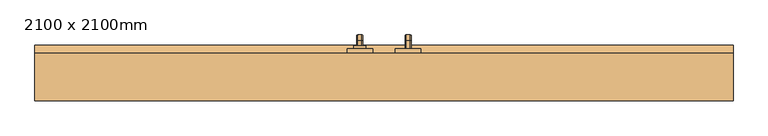
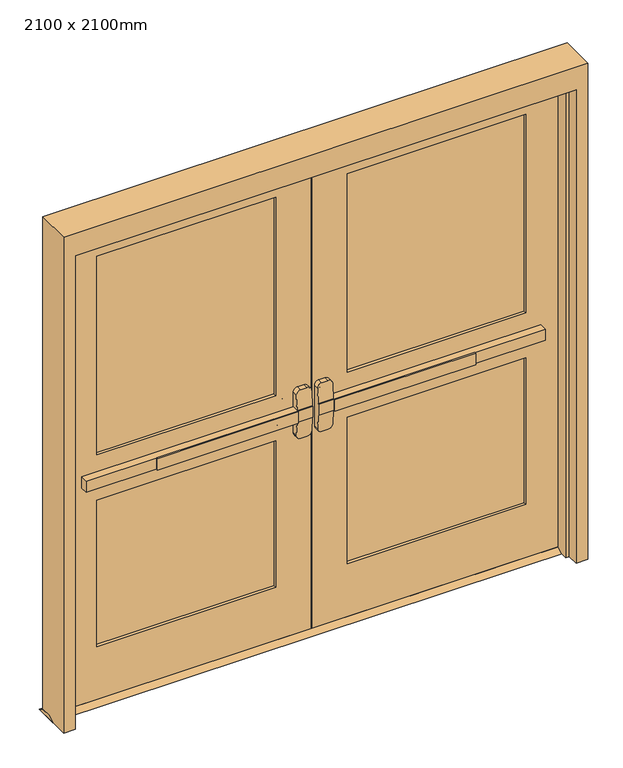
"""IFC4 building model written with IfcOpenShell, lengths in millimetres: door geometry, 2100 x 2100mm."""

from ifc_helpers import new_model, si_unit, point, frame, frame_2d, origin, place, context, project, spatial, polyline, circle_curve, ellipse_curve, trimmed, segment, composite_curve, outline, extrude, faceted_brep, source, transform, mapped, element, save
from ifc_brep_helpers import plane_surface, cylinder_surface, revolved_surface, advanced_brep


def door_2100_x_2100mm_7a8dc267(model_context):
    return source(origin(), model_context, "Body", "SolidModel", [
        extrude(outline(polyline([(-667.2, -1.75), (-667.2, 4.6), (-76.2, 4.6), (-76.2, -1.75), (-667.2, -1.75)])), frame((0.0, 0.0, 974.6), z_axis=(0.0, 0.0, 1.0), x_axis=(1.0, 0.0, 0.0)), (0.0, 0.0, 1.0), 50.8),
        advanced_brep(
        [(-12.7, 4.6, 1025.4), (-76.2, 4.6, 1025.4), (-962.7, 4.6, 1025.4), (-962.7, 4.6, 974.6), (-76.2, 4.6, 974.6), (-12.7, 4.6, 974.6), (-962.7, 36.35, 1025.4), (-76.2, 36.35, 1025.4), (-76.2, 36.35, 1088.9), (-57.15, 36.35, 1107.95), (-31.75, 36.35, 1107.95), (-12.7, 36.35, 1088.9), (-12.7, 36.35, 911.1), (-31.75, 36.35, 892.05), (-57.15, 36.35, 892.05), (-76.2, 36.35, 911.1), (-76.2, 36.35, 974.6), (-962.7, 36.35, 974.6), (-12.7, 7.7752467, 1025.4), (-76.2, 7.7752467, 1025.4), (-12.7, 7.7752467, 974.6), (-12.7, 12.7854269, 911.1), (-12.7, 12.7854269, 1088.9), (-76.2, 7.7752467, 974.6), (-76.2, 12.7854269, 1088.9), (-76.2, 12.7854269, 911.1), (-57.15, 14.288481, 1107.95), (-31.75, 14.288481, 1107.95), (-31.75, 14.288481, 892.05), (-57.15, 14.288481, 892.05)],
        [
            (0, 1),
            (1, 2),
            (2, 3),
            (3, 4),
            (4, 5),
            (5, 0),
            (6, 7),
            (7, 8),
            (8, 9, circle_curve(frame((-57.15, 36.35, 1088.9), z_axis=(0.0, 1.0, 0.0), x_axis=(-1.0, 0.0, 0.0)), 19.05)),
            (9, 10),
            (10, 11, circle_curve(frame((-31.75, 36.35, 1088.9), z_axis=(0.0, 1.0, 0.0), x_axis=(-1.0, 0.0, 0.0)), 19.05)),
            (11, 12),
            (12, 13, circle_curve(frame((-31.75, 36.35, 911.1), z_axis=(0.0, 1.0, 0.0), x_axis=(-1.0, 0.0, 0.0)), 19.05)),
            (13, 14),
            (14, 15, circle_curve(frame((-57.15, 36.35, 911.1), z_axis=(0.0, 1.0, 0.0), x_axis=(-1.0, 0.0, 0.0)), 19.05)),
            (15, 16),
            (16, 17),
            (17, 6),
            (0, 18),
            (18, 19),
            (19, 7),
            (6, 2),
            (5, 20),
            (20, 21),
            (21, 12),
            (11, 22),
            (22, 18),
            (16, 23),
            (23, 20),
            (3, 17),
            (19, 24),
            (24, 8),
            (15, 25),
            (25, 23),
            (9, 26),
            (26, 27),
            (27, 10),
            (13, 28),
            (28, 29),
            (29, 14),
            (29, 25, ellipse_curve(frame((-57.15, 12.7854269, 911.1), z_axis=(0.0, 0.9969018152893365, 0.07865602756830282), x_axis=(0.0, -0.07865602756830208, 0.9969018152893365)), 19.1092038, 19.05)),
            (24, 26, ellipse_curve(frame((-57.15, 12.7854269, 1088.9), z_axis=(0.0, 0.9969018152893376, -0.07865602756828934), x_axis=(0.0, -0.078656027568288, -0.9969018152893377)), 19.1092038, 19.05)),
            (27, 22, ellipse_curve(frame((-31.75, 12.7854269, 1088.9), z_axis=(0.0, 0.9969018152893376, -0.07865602756828934), x_axis=(0.0, -0.078656027568288, -0.9969018152893377)), 19.1092038, 19.05)),
            (21, 28, ellipse_curve(frame((-31.75, 12.7854269, 911.1), z_axis=(0.0, 0.9969018152893365, 0.07865602756830282), x_axis=(0.0, -0.07865602756830208, 0.9969018152893365)), 19.1092038, 19.05)),
        ],
        [
            plane_surface(frame((-12.7, 4.6, 1025.4), z_axis=(0.0, -1.0, 0.0), x_axis=(1.0, 0.0, 0.0))),
            plane_surface(frame((-12.7, 36.35, 1025.4), z_axis=(0.0, 1.0, 0.0), x_axis=(-1.0, 0.0, 0.0))),
            plane_surface(frame((-962.7, 4.6, 1025.4), z_axis=(0.0, 0.0, 1.0), x_axis=(0.0, 1.0, 0.0))),
            plane_surface(frame((-12.7, 4.6, 1025.4), z_axis=(1.0, 0.0, 0.0), x_axis=(0.0, 1.0, 0.0))),
            plane_surface(frame((-12.7, 4.6, 974.6), z_axis=(0.0, 0.0, -1.0), x_axis=(0.0, 1.0, 0.0))),
            plane_surface(frame((-962.7, 4.6, 974.6), z_axis=(-1.0, 0.0, 0.0), x_axis=(0.0, 1.0, 0.0))),
            plane_surface(frame((-76.2, 7.7752467, 911.1), z_axis=(-1.0, 0.0, 0.0), x_axis=(0.0, 1.0, 0.0))),
            plane_surface(frame((-57.15, 7.7752467, 1107.95), z_axis=(0.0, 0.0, 1.0), x_axis=(0.0, 1.0, 0.0))),
            plane_surface(frame((-31.75, 7.7752467, 892.05), z_axis=(0.0, 0.0, -1.0), x_axis=(0.0, 1.0, 0.0))),
            cylinder_surface(frame((-57.15, 36.35, 911.1), z_axis=(0.0, -1.0, 0.0), x_axis=(-1.0, 0.0, 0.0)), 19.05),
            cylinder_surface(frame((-57.15, 36.35, 1088.9), z_axis=(0.0, -1.0, 0.0), x_axis=(-1.0, 0.0, 0.0)), 19.05),
            cylinder_surface(frame((-31.75, 36.35, 1088.9), z_axis=(0.0, -1.0, 0.0), x_axis=(-1.0, 0.0, 0.0)), 19.05),
            cylinder_surface(frame((-31.75, 36.35, 911.1), z_axis=(0.0, -1.0, 0.0), x_axis=(-1.0, 0.0, 0.0)), 19.05),
            plane_surface(frame((-76.2, 7.7752467, 1025.4), z_axis=(0.0, -0.9969018152893376, 0.07865602756828934), x_axis=(1.0, 0.0, 0.0))),
            plane_surface(frame((-76.2, 14.288481, 892.05), z_axis=(0.0, -0.9969018152893365, -0.07865602756830282), x_axis=(1.0, 0.0, 0.0))),
        ],
        [
            (0, [[1, 2, 3, 4, 5, 6]]),
            (1, [[7, 8, 9, 10, 11, 12, 13, 14, 15, 16, 17, 18]]),
            (2, [[-2, -1, 19, 20, 21, -7, 22]]),
            (3, [[23, 24, 25, -12, 26, 27, -19, -6]]),
            (4, [[-17, 28, 29, -23, -5, -4, 30]]),
            (5, [[-22, -18, -30, -3]]),
            (6, [[-21, 31, 32, -8]]),
            (6, [[33, 34, -28, -16]]),
            (7, [[35, 36, 37, -10]]),
            (8, [[38, 39, 40, -14]]),
            (9, [[-40, 41, -33, -15]]),
            (10, [[-32, 42, -35, -9]]),
            (11, [[-37, 43, -26, -11]]),
            (12, [[-25, 44, -38, -13]]),
            (13, [[-27, -43, -36, -42, -31, -20]]),
            (14, [[-29, -34, -41, -39, -44, -24]]),
        ],
    ),
        extrude(outline(polyline([(81.35, 15.0), (106.75, 0.0), (10.95, 0.0), (36.35, 15.0), (81.35, 15.0)])), frame((-1100.0, 0.0, 0.0), z_axis=(1.0, 0.0, 0.0), x_axis=(0.0, 1.0, 0.0)), (0.0, 0.0, 1.0), 2200.0),
        extrude(outline(polyline([(667.2, -1.75), (76.2, -1.75), (76.2, 4.6), (667.2, 4.6), (667.2, -1.75)])), frame((0.0, 0.0, 974.6), z_axis=(0.0, 0.0, 1.0), x_axis=(1.0, 0.0, 0.0)), (0.0, 0.0, 1.0), 50.8),
        advanced_brep(
        [(12.7, 4.6, 1025.4), (12.7, 4.6, 974.6), (76.2, 4.6, 974.6), (962.7, 4.6, 974.6), (962.7, 4.6, 1025.4), (76.2, 4.6, 1025.4), (962.7, 36.35, 1025.4), (962.7, 36.35, 974.6), (76.2, 36.35, 974.6), (76.2, 36.35, 911.1), (57.15, 36.35, 892.05), (31.75, 36.35, 892.05), (12.7, 36.35, 911.1), (12.7, 36.35, 1088.9), (31.75, 36.35, 1107.95), (57.15, 36.35, 1107.95), (76.2, 36.35, 1088.9), (76.2, 36.35, 1025.4), (76.2, 7.7752467, 1025.4), (12.7, 7.7752467, 1025.4), (12.7, 12.7854269, 1088.9), (12.7, 12.7854269, 911.1), (12.7, 7.7752467, 974.6), (76.2, 7.7752467, 974.6), (76.2, 12.7854269, 911.1), (76.2, 12.7854269, 1088.9), (31.75, 14.288481, 1107.95), (57.15, 14.288481, 1107.95), (57.15, 14.288481, 892.05), (31.75, 14.288481, 892.05)],
        [
            (0, 1),
            (1, 2),
            (2, 3),
            (3, 4),
            (4, 5),
            (5, 0),
            (6, 7),
            (7, 8),
            (8, 9),
            (9, 10, circle_curve(frame((57.15, 36.35, 911.1), z_axis=(0.0, 1.0, 0.0), x_axis=(1.0, 0.0, 0.0)), 19.05)),
            (10, 11),
            (11, 12, circle_curve(frame((31.75, 36.35, 911.1), z_axis=(0.0, 1.0, 0.0), x_axis=(1.0, 0.0, 0.0)), 19.05)),
            (12, 13),
            (13, 14, circle_curve(frame((31.75, 36.35, 1088.9), z_axis=(0.0, 1.0, 0.0), x_axis=(1.0, 0.0, 0.0)), 19.05)),
            (14, 15),
            (15, 16, circle_curve(frame((57.15, 36.35, 1088.9), z_axis=(0.0, 1.0, 0.0), x_axis=(1.0, 0.0, 0.0)), 19.05)),
            (16, 17),
            (17, 6),
            (4, 6),
            (17, 18),
            (18, 19),
            (19, 0),
            (19, 20),
            (20, 13),
            (12, 21),
            (21, 22),
            (22, 1),
            (7, 3),
            (22, 23),
            (23, 8),
            (23, 24),
            (24, 9),
            (16, 25),
            (25, 18),
            (14, 26),
            (26, 27),
            (27, 15),
            (10, 28),
            (28, 29),
            (29, 11),
            (24, 28, ellipse_curve(frame((57.15, 12.7854269, 911.1), z_axis=(0.0, 0.9969018152893365, 0.07865602756830282), x_axis=(0.0, -0.07865602756830208, 0.9969018152893365)), 19.1092038, 19.05)),
            (27, 25, ellipse_curve(frame((57.15, 12.7854269, 1088.9), z_axis=(0.0, 0.9969018152893376, -0.07865602756828934), x_axis=(0.0, -0.078656027568288, -0.9969018152893377)), 19.1092038, 19.05)),
            (20, 26, ellipse_curve(frame((31.75, 12.7854269, 1088.9), z_axis=(0.0, 0.9969018152893376, -0.07865602756828934), x_axis=(0.0, -0.078656027568288, -0.9969018152893377)), 19.1092038, 19.05)),
            (29, 21, ellipse_curve(frame((31.75, 12.7854269, 911.1), z_axis=(0.0, 0.9969018152893365, 0.07865602756830282), x_axis=(0.0, -0.07865602756830208, 0.9969018152893365)), 19.1092038, 19.05)),
        ],
        [
            plane_surface(frame((12.7, 4.6, 1025.4), z_axis=(0.0, -1.0, 0.0), x_axis=(-1.0, 0.0, 0.0))),
            plane_surface(frame((12.7, 36.35, 1025.4), z_axis=(0.0, 1.0, 0.0), x_axis=(1.0, 0.0, 0.0))),
            plane_surface(frame((962.7, 4.6, 1025.4), z_axis=(0.0, 0.0, 1.0), x_axis=(0.0, 1.0, 0.0))),
            plane_surface(frame((12.7, 4.6, 1025.4), z_axis=(-1.0, 0.0, 0.0), x_axis=(0.0, 1.0, 0.0))),
            plane_surface(frame((12.7, 4.6, 974.6), z_axis=(0.0, 0.0, -1.0), x_axis=(0.0, 1.0, 0.0))),
            plane_surface(frame((962.7, 4.6, 974.6), z_axis=(1.0, 0.0, 0.0), x_axis=(0.0, 1.0, 0.0))),
            plane_surface(frame((76.2, 7.7752467, 911.1), z_axis=(1.0, 0.0, 0.0), x_axis=(0.0, 1.0, 0.0))),
            plane_surface(frame((57.15, 7.7752467, 1107.95), z_axis=(0.0, 0.0, 1.0), x_axis=(0.0, 1.0, 0.0))),
            plane_surface(frame((31.75, 7.7752467, 892.05), z_axis=(0.0, 0.0, -1.0), x_axis=(0.0, 1.0, 0.0))),
            cylinder_surface(frame((57.15, 36.35, 911.1), z_axis=(0.0, -1.0, 0.0), x_axis=(1.0, 0.0, 0.0)), 19.05),
            cylinder_surface(frame((57.15, 36.35, 1088.9), z_axis=(0.0, -1.0, 0.0), x_axis=(1.0, 0.0, 0.0)), 19.05),
            cylinder_surface(frame((31.75, 36.35, 1088.9), z_axis=(0.0, -1.0, 0.0), x_axis=(1.0, 0.0, 0.0)), 19.05),
            cylinder_surface(frame((31.75, 36.35, 911.1), z_axis=(0.0, -1.0, 0.0), x_axis=(1.0, 0.0, 0.0)), 19.05),
            plane_surface(frame((76.2, 7.7752467, 1025.4), z_axis=(0.0, -0.9969018152893376, 0.07865602756828934), x_axis=(-1.0, 0.0, 0.0))),
            plane_surface(frame((76.2, 14.288481, 892.05), z_axis=(0.0, -0.9969018152893365, -0.07865602756830282), x_axis=(-1.0, 0.0, 0.0))),
        ],
        [
            (0, [[1, 2, 3, 4, 5, 6]]),
            (1, [[7, 8, 9, 10, 11, 12, 13, 14, 15, 16, 17, 18]]),
            (2, [[19, -18, 20, 21, 22, -6, -5]]),
            (3, [[-1, -22, 23, 24, -13, 25, 26, 27]]),
            (4, [[28, -3, -2, -27, 29, 30, -8]]),
            (5, [[-4, -28, -7, -19]]),
            (6, [[-9, -30, 31, 32]]),
            (6, [[-17, 33, 34, -20]]),
            (7, [[-15, 35, 36, 37]]),
            (8, [[-11, 38, 39, 40]]),
            (9, [[-10, -32, 41, -38]]),
            (10, [[-16, -37, 42, -33]]),
            (11, [[-14, -24, 43, -35]]),
            (12, [[-12, -40, 44, -25]]),
            (13, [[-21, -34, -42, -36, -43, -23]]),
            (14, [[-26, -44, -39, -41, -31, -29]]),
        ],
    ),
        advanced_brep(
        [(66.2, 96.35, 1001.190625), (66.2, 96.35, 998.809375), (69.771875, 96.35, 995.2375), (82.6284594, 96.35, 995.2375), (86.2, 96.35, 998.8090406), (86.2, 96.35, 1001.190625), (82.628125, 96.35, 1004.7625), (69.771875, 96.35, 1004.7625), (66.2, 96.35, 874.609375), (69.771875, 96.35, 871.0375), (82.628125, 96.35, 871.0375), (86.2, 96.35, 874.609375), (86.2, 96.35, 876.9909594), (82.6284594, 96.35, 880.5625), (69.771875, 96.35, 880.5625), (66.2, 96.35, 876.990625), (66.2, 121.75, 1001.190625), (66.2, 135.640625, 987.3), (66.2, 135.640625, 888.5), (66.2, 121.75, 874.609375), (66.2, 121.75, 876.990625), (66.2, 133.259375, 888.5), (66.2, 133.259375, 987.3), (66.2, 121.75, 998.809375), (69.771875, 121.75, 995.2375), (82.6284594, 121.75, 995.2375), (86.2, 121.75, 998.8090406), (86.2, 133.2590406, 987.3), (86.2, 133.2590406, 888.5), (86.2, 121.75, 876.9909594), (86.2, 121.75, 874.609375), (86.2, 135.640625, 888.5), (86.2, 135.640625, 987.3), (86.2, 121.75, 1001.190625), (82.628125, 121.75, 1004.7625), (69.771875, 121.75, 1004.7625), (69.771875, 129.6875, 987.3), (82.6284594, 129.6875, 987.3), (82.628125, 139.2125, 987.3), (69.771875, 139.2125, 987.3), (69.771875, 129.6875, 888.5), (82.6284594, 129.6875, 888.5), (82.628125, 139.2125, 888.5), (69.771875, 139.2125, 888.5), (69.771875, 121.75, 880.5625), (82.6284594, 121.75, 880.5625), (82.628125, 121.75, 871.0375), (69.771875, 121.75, 871.0375)],
        [
            (0, 1),
            (1, 2, circle_curve(frame((69.771875, 96.35, 998.809375), z_axis=(0.0, -1.0, 0.0), x_axis=(0.0, 0.0, 1.0)), 3.571875)),
            (2, 3),
            (3, 4, circle_curve(frame((82.6284594, 96.35, 998.8090406), z_axis=(0.0, -1.0, 0.0), x_axis=(0.0, 0.0, 1.0)), 3.5715406)),
            (4, 5),
            (5, 6, circle_curve(frame((82.628125, 96.35, 1001.190625), z_axis=(0.0, -1.0, 0.0), x_axis=(0.0, 0.0, 1.0)), 3.571875)),
            (6, 7),
            (7, 0, circle_curve(frame((69.771875, 96.35, 1001.190625), z_axis=(0.0, -1.0, 0.0), x_axis=(0.0, 0.0, 1.0)), 3.571875)),
            (8, 9, circle_curve(frame((69.771875, 96.35, 874.609375), z_axis=(0.0, -1.0, 0.0), x_axis=(0.0, 0.0, -1.0)), 3.571875)),
            (9, 10),
            (10, 11, circle_curve(frame((82.628125, 96.35, 874.609375), z_axis=(0.0, -1.0, 0.0), x_axis=(0.0, 0.0, -1.0)), 3.571875)),
            (11, 12),
            (12, 13, circle_curve(frame((82.6284594, 96.35, 876.9909594), z_axis=(0.0, -1.0, 0.0), x_axis=(0.0, 0.0, -1.0)), 3.5715406)),
            (13, 14),
            (14, 15, circle_curve(frame((69.771875, 96.35, 876.990625), z_axis=(0.0, -1.0, 0.0), x_axis=(0.0, 0.0, -1.0)), 3.571875)),
            (15, 8),
            (0, 16),
            (16, 17, circle_curve(frame((66.2, 121.75, 987.3), z_axis=(-1.0, 0.0, 0.0), x_axis=(0.0, 0.0, 1.0)), 13.890625)),
            (17, 18),
            (18, 19, circle_curve(frame((66.2, 121.75, 888.5), z_axis=(-1.0, 0.0, 0.0), x_axis=(0.0, 1.0, 0.0)), 13.890625)),
            (19, 8),
            (15, 20),
            (20, 21, circle_curve(frame((66.2, 121.75, 888.5), z_axis=(1.0, 0.0, 0.0), x_axis=(0.0, 1.0, 0.0)), 11.509375)),
            (21, 22),
            (22, 23, circle_curve(frame((66.2, 121.75, 987.3), z_axis=(1.0, 0.0, 0.0), x_axis=(0.0, 0.0, 1.0)), 11.509375)),
            (23, 1),
            (23, 24, circle_curve(frame((69.771875, 121.75, 998.809375), z_axis=(0.0, -1.0, 0.0), x_axis=(0.0, 0.0, 1.0)), 3.571875)),
            (24, 2),
            (24, 25),
            (25, 3),
            (25, 26, circle_curve(frame((82.6284594, 121.75, 998.8090406), z_axis=(0.0, -1.0, 0.0), x_axis=(0.0, 0.0, 1.0)), 3.5715406)),
            (26, 4),
            (26, 27, circle_curve(frame((86.2, 121.75, 987.3), z_axis=(-1.0, 0.0, 0.0), x_axis=(0.0, 0.0, 1.0)), 11.5090406)),
            (27, 28),
            (28, 29, circle_curve(frame((86.2, 121.75, 888.5), z_axis=(-1.0, 0.0, 0.0), x_axis=(0.0, 1.0, 0.0)), 11.5090406)),
            (29, 12),
            (11, 30),
            (30, 31, circle_curve(frame((86.2, 121.75, 888.5), z_axis=(1.0, 0.0, 0.0), x_axis=(0.0, 1.0, 0.0)), 13.890625)),
            (31, 32),
            (32, 33, circle_curve(frame((86.2, 121.75, 987.3), z_axis=(1.0, 0.0, 0.0), x_axis=(0.0, 0.0, 1.0)), 13.890625)),
            (33, 5),
            (33, 34, circle_curve(frame((82.628125, 121.75, 1001.190625), z_axis=(0.0, -1.0, 0.0), x_axis=(0.0, 0.0, 1.0)), 3.571875)),
            (34, 6),
            (34, 35),
            (35, 7),
            (35, 16, circle_curve(frame((69.771875, 121.75, 1001.190625), z_axis=(0.0, -1.0, 0.0), x_axis=(0.0, 0.0, 1.0)), 3.571875)),
            (36, 24, circle_curve(frame((69.771875, 121.75, 987.3), z_axis=(1.0, 0.0, 0.0), x_axis=(0.0, 0.0, 1.0)), 7.9375)),
            (22, 36, circle_curve(frame((69.771875, 133.259375, 987.3), z_axis=(0.0, 0.0, 1.0), x_axis=(0.0, 1.0, 0.0)), 3.571875)),
            (37, 25, circle_curve(frame((82.6284594, 121.75, 987.3), z_axis=(1.0, 0.0, 0.0), x_axis=(0.0, 0.0, 1.0)), 7.9375)),
            (36, 37),
            (37, 27, circle_curve(frame((82.6284594, 133.2590406, 987.3), z_axis=(0.0, 0.0, 1.0), x_axis=(0.0, 1.0, 0.0)), 3.5715406)),
            (38, 34, circle_curve(frame((82.628125, 121.75, 987.3), z_axis=(1.0, 0.0, 0.0), x_axis=(0.0, 0.0, 1.0)), 17.4625)),
            (32, 38, circle_curve(frame((82.628125, 135.640625, 987.3), z_axis=(0.0, 0.0, 1.0), x_axis=(0.0, 1.0, 0.0)), 3.571875)),
            (39, 35, circle_curve(frame((69.771875, 121.75, 987.3), z_axis=(1.0, 0.0, 0.0), x_axis=(0.0, 0.0, 1.0)), 17.4625)),
            (38, 39),
            (39, 17, circle_curve(frame((69.771875, 135.640625, 987.3), z_axis=(0.0, 0.0, 1.0), x_axis=(0.0, 1.0, 0.0)), 3.571875)),
            (21, 40, circle_curve(frame((69.771875, 133.259375, 888.5), z_axis=(0.0, 0.0, 1.0), x_axis=(0.0, 1.0, 0.0)), 3.571875)),
            (40, 36),
            (40, 41),
            (41, 37),
            (41, 28, circle_curve(frame((82.6284594, 133.2590406, 888.5), z_axis=(0.0, 0.0, 1.0), x_axis=(0.0, 1.0, 0.0)), 3.5715406)),
            (31, 42, circle_curve(frame((82.628125, 135.640625, 888.5), z_axis=(0.0, 0.0, 1.0), x_axis=(0.0, 1.0, 0.0)), 3.571875)),
            (42, 38),
            (42, 43),
            (43, 39),
            (43, 18, circle_curve(frame((69.771875, 135.640625, 888.5), z_axis=(0.0, 0.0, 1.0), x_axis=(0.0, 1.0, 0.0)), 3.571875)),
            (44, 40, circle_curve(frame((69.771875, 121.75, 888.5), z_axis=(1.0, 0.0, 0.0), x_axis=(0.0, 1.0, 0.0)), 7.9375)),
            (20, 44, circle_curve(frame((69.771875, 121.75, 876.990625), z_axis=(0.0, 1.0, 0.0), x_axis=(0.0, 0.0, -1.0)), 3.571875)),
            (45, 41, circle_curve(frame((82.6284594, 121.75, 888.5), z_axis=(1.0, 0.0, 0.0), x_axis=(0.0, 1.0, 0.0)), 7.9375)),
            (44, 45),
            (45, 29, circle_curve(frame((82.6284594, 121.75, 876.9909594), z_axis=(0.0, 1.0, 0.0), x_axis=(0.0, 0.0, -1.0)), 3.5715406)),
            (46, 42, circle_curve(frame((82.628125, 121.75, 888.5), z_axis=(1.0, 0.0, 0.0), x_axis=(0.0, 1.0, 0.0)), 17.4625)),
            (30, 46, circle_curve(frame((82.628125, 121.75, 874.609375), z_axis=(0.0, 1.0, 0.0), x_axis=(0.0, 0.0, -1.0)), 3.571875)),
            (47, 43, circle_curve(frame((69.771875, 121.75, 888.5), z_axis=(1.0, 0.0, 0.0), x_axis=(0.0, 1.0, 0.0)), 17.4625)),
            (46, 47),
            (47, 19, circle_curve(frame((69.771875, 121.75, 874.609375), z_axis=(0.0, 1.0, 0.0), x_axis=(0.0, 0.0, -1.0)), 3.571875)),
            (14, 44),
            (13, 45),
            (10, 46),
            (9, 47),
        ],
        [
            plane_surface(frame((76.2, 96.35, 1000.0), z_axis=(0.0, -1.0, 0.0), x_axis=(1.0, 0.0, 0.0))),
            plane_surface(frame((76.2, 96.35, 875.8), z_axis=(0.0, -1.0, 0.0), x_axis=(1.0, 0.0, 0.0))),
            plane_surface(frame((66.2, 96.35, 1001.190625), z_axis=(-1.0, 0.0, 0.0), x_axis=(0.0, 1.0, 0.0))),
            cylinder_surface(frame((69.771875, 96.35, 998.809375), z_axis=(0.0, -1.0, 0.0), x_axis=(0.0, 0.0, 1.0)), 3.571875),
            plane_surface(frame((69.771875, 96.35, 995.2375), z_axis=(0.0, 0.0, -1.0), x_axis=(0.0, 1.0, 0.0))),
            cylinder_surface(frame((82.6284594, 96.35, 998.8090406), z_axis=(0.0, -1.0, 0.0), x_axis=(0.0, 0.0, 1.0)), 3.5715406),
            plane_surface(frame((86.2, 96.35, 998.8090406), z_axis=(1.0, 0.0, 0.0), x_axis=(0.0, 1.0, 0.0))),
            cylinder_surface(frame((82.628125, 96.35, 1001.190625), z_axis=(0.0, -1.0, 0.0), x_axis=(0.0, 0.0, 1.0)), 3.571875),
            plane_surface(frame((82.628125, 96.35, 1004.7625), z_axis=(0.0, 0.0, 1.0), x_axis=(0.0, 1.0, 0.0))),
            cylinder_surface(frame((69.771875, 96.35, 1001.190625), z_axis=(0.0, -1.0, 0.0), x_axis=(0.0, 0.0, 1.0)), 3.571875),
            revolved_surface(trimmed(ellipse_curve(frame((69.771875, 121.75, 998.809375), z_axis=(0.0, -1.0, 0.0), x_axis=(0.0, 0.0, 1.0)), 3.571875, 3.571875), [point((66.2, 121.75, 998.809375))], [point((69.771875, 121.75, 995.2375))], True, "CARTESIAN"), (76.2, 121.75, 987.3), (-1.0, 0.0, 0.0)),
            revolved_surface(polyline([(69.771875, 121.75, 995.2375), (82.6284594, 121.75, 995.2375)]), (76.2, 121.75, 987.3), (-1.0, 0.0, 0.0)),
            revolved_surface(trimmed(ellipse_curve(frame((82.6284594, 121.75, 998.8090406), z_axis=(0.0, -1.0, 0.0), x_axis=(0.0, 0.0, 1.0)), 3.5715406, 3.5715406), [point((82.6284594, 121.75, 995.2375))], [point((86.2, 121.75, 998.8090406))], True, "CARTESIAN"), (76.2, 121.75, 987.3), (-1.0, 0.0, 0.0)),
            revolved_surface(trimmed(ellipse_curve(frame((82.628125, 121.75, 1001.190625), z_axis=(0.0, -1.0, 0.0), x_axis=(0.0, 0.0, 1.0)), 3.571875, 3.571875), [point((86.2, 121.75, 1001.190625))], [point((82.628125, 121.75, 1004.7625))], True, "CARTESIAN"), (76.2, 121.75, 987.3), (-1.0, 0.0, 0.0)),
            cylinder_surface(frame((76.2, 121.75, 987.3), z_axis=(-1.0, 0.0, 0.0), x_axis=(0.0, 0.0, 1.0)), 17.4625),
            revolved_surface(trimmed(ellipse_curve(frame((69.771875, 121.75, 1001.190625), z_axis=(0.0, -1.0, 0.0), x_axis=(0.0, 0.0, 1.0)), 3.571875, 3.571875), [point((69.771875, 121.75, 1004.7625))], [point((66.2, 121.75, 1001.190625))], True, "CARTESIAN"), (76.2, 121.75, 987.3), (-1.0, 0.0, 0.0)),
            cylinder_surface(frame((69.771875, 133.259375, 987.3), z_axis=(0.0, 0.0, 1.0), x_axis=(0.0, 1.0, 0.0)), 3.571875),
            plane_surface(frame((69.771875, 129.6875, 987.3), z_axis=(0.0, -1.0, 0.0), x_axis=(0.0, 0.0, -1.0))),
            cylinder_surface(frame((82.6284594, 133.2590406, 987.3), z_axis=(0.0, 0.0, 1.0), x_axis=(0.0, 1.0, 0.0)), 3.5715406),
            cylinder_surface(frame((82.628125, 135.640625, 987.3), z_axis=(0.0, 0.0, 1.0), x_axis=(0.0, 1.0, 0.0)), 3.571875),
            plane_surface(frame((82.628125, 139.2125, 987.3), z_axis=(0.0, 1.0, 0.0), x_axis=(0.0, 0.0, -1.0))),
            cylinder_surface(frame((69.771875, 135.640625, 987.3), z_axis=(0.0, 0.0, 1.0), x_axis=(0.0, 1.0, 0.0)), 3.571875),
            revolved_surface(trimmed(ellipse_curve(frame((69.771875, 133.259375, 888.5), z_axis=(0.0, 0.0, 1.0), x_axis=(0.0, 1.0, 0.0)), 3.571875, 3.571875), [point((66.2, 133.259375, 888.5))], [point((69.771875, 129.6875, 888.5))], True, "CARTESIAN"), (76.2, 121.75, 888.5), (-1.0, 0.0, 0.0)),
            revolved_surface(polyline([(69.771875, 129.6875, 888.5), (82.6284594, 129.6875, 888.5)]), (76.2, 121.75, 888.5), (-1.0, 0.0, 0.0)),
            revolved_surface(trimmed(ellipse_curve(frame((82.6284594, 133.2590406, 888.5), z_axis=(0.0, 0.0, 1.0), x_axis=(0.0, 1.0, 0.0)), 3.5715406, 3.5715406), [point((82.6284594, 129.6875, 888.5))], [point((86.2, 133.2590406, 888.5))], True, "CARTESIAN"), (76.2, 121.75, 888.5), (-1.0, 0.0, 0.0)),
            revolved_surface(trimmed(ellipse_curve(frame((82.628125, 135.640625, 888.5), z_axis=(0.0, 0.0, 1.0), x_axis=(0.0, 1.0, 0.0)), 3.571875, 3.571875), [point((86.2, 135.640625, 888.5))], [point((82.628125, 139.2125, 888.5))], True, "CARTESIAN"), (76.2, 121.75, 888.5), (-1.0, 0.0, 0.0)),
            cylinder_surface(frame((76.2, 121.75, 888.5), z_axis=(-1.0, 0.0, 0.0), x_axis=(0.0, 1.0, 0.0)), 17.4625),
            revolved_surface(trimmed(ellipse_curve(frame((69.771875, 135.640625, 888.5), z_axis=(0.0, 0.0, 1.0), x_axis=(0.0, 1.0, 0.0)), 3.571875, 3.571875), [point((69.771875, 139.2125, 888.5))], [point((66.2, 135.640625, 888.5))], True, "CARTESIAN"), (76.2, 121.75, 888.5), (-1.0, 0.0, 0.0)),
            cylinder_surface(frame((69.771875, 121.75, 876.990625), z_axis=(0.0, 1.0, 0.0), x_axis=(0.0, 0.0, -1.0)), 3.571875),
            plane_surface(frame((69.771875, 121.75, 880.5625), z_axis=(0.0, 0.0, 1.0), x_axis=(0.0, -1.0, 0.0))),
            cylinder_surface(frame((82.6284594, 121.75, 876.9909594), z_axis=(0.0, 1.0, 0.0), x_axis=(0.0, 0.0, -1.0)), 3.5715406),
            cylinder_surface(frame((82.628125, 121.75, 874.609375), z_axis=(0.0, 1.0, 0.0), x_axis=(0.0, 0.0, -1.0)), 3.571875),
            plane_surface(frame((82.628125, 121.75, 871.0375), z_axis=(0.0, 0.0, -1.0), x_axis=(0.0, -1.0, 0.0))),
            cylinder_surface(frame((69.771875, 121.75, 874.609375), z_axis=(0.0, 1.0, 0.0), x_axis=(0.0, 0.0, -1.0)), 3.571875),
        ],
        [
            (0, [[1, 2, 3, 4, 5, 6, 7, 8]]),
            (1, [[9, 10, 11, 12, 13, 14, 15, 16]]),
            (2, [[-1, 17, 18, 19, 20, 21, -16, 22, 23, 24, 25, 26]]),
            (3, [[-2, -26, 27, 28]]),
            (4, [[-3, -28, 29, 30]]),
            (5, [[-4, -30, 31, 32]]),
            (6, [[-5, -32, 33, 34, 35, 36, -12, 37, 38, 39, 40, 41]]),
            (7, [[-6, -41, 42, 43]]),
            (8, [[-7, -43, 44, 45]]),
            (9, [[-8, -45, 46, -17]]),
            (10, [[47, -27, -25, 48]]),
            (11, [[49, -29, -47, 50]]),
            (12, [[-33, -31, -49, 51]]),
            (13, [[52, -42, -40, 53]]),
            (14, [[54, -44, -52, 55]]),
            (15, [[-18, -46, -54, 56]]),
            (16, [[-48, -24, 57, 58]]),
            (17, [[-50, -58, 59, 60]]),
            (18, [[-51, -60, 61, -34]]),
            (19, [[-53, -39, 62, 63]]),
            (20, [[-55, -63, 64, 65]]),
            (21, [[-56, -65, 66, -19]]),
            (22, [[67, -57, -23, 68]]),
            (23, [[69, -59, -67, 70]]),
            (24, [[-35, -61, -69, 71]]),
            (25, [[72, -62, -38, 73]]),
            (26, [[74, -64, -72, 75]]),
            (27, [[-20, -66, -74, 76]]),
            (28, [[-68, -22, -15, 77]]),
            (29, [[-70, -77, -14, 78]]),
            (30, [[-71, -78, -13, -36]]),
            (31, [[-73, -37, -11, 79]]),
            (32, [[-75, -79, -10, 80]]),
            (33, [[-76, -80, -9, -21]]),
        ],
    ),
        extrude(outline(composite_curve([segment(trimmed(circle_curve(frame_2d((1094.2338574, 76.2)), 90.1286291), [point((1175.0, 116.2))], [point((1175.0, 36.2))], False, "CARTESIAN"), True, "CONTINUOUS"), segment(polyline([(1175.0, 36.2), (825.0, 36.2)]), True, "CONTINUOUS"), segment(trimmed(circle_curve(frame_2d((905.7661426, 76.2)), 90.1286291), [point((825.0, 36.2))], [point((825.0, 116.2))], False, "CARTESIAN"), True, "CONTINUOUS"), segment(polyline([(825.0, 116.2), (1175.0, 116.2)]), True, "CONTINUOUS")], self_intersect=False)), frame((0.0, 81.35, 0.0), z_axis=(0.0, 1.0, 0.0), x_axis=(0.0, 0.0, 1.0)), (0.0, 0.0, 1.0), 15.0),
        advanced_brep(
        [(-86.2, 96.35, 1001.190625), (-86.2, 96.35, 998.809375), (-82.628125, 96.35, 995.2375), (-69.7715406, 96.35, 995.2375), (-66.2, 96.35, 998.8090406), (-66.2, 96.35, 1001.190625), (-69.771875, 96.35, 1004.7625), (-82.628125, 96.35, 1004.7625), (-86.2, 96.35, 874.609375), (-82.628125, 96.35, 871.0375), (-69.771875, 96.35, 871.0375), (-66.2, 96.35, 874.609375), (-66.2, 96.35, 876.9909594), (-69.7715406, 96.35, 880.5625), (-82.628125, 96.35, 880.5625), (-86.2, 96.35, 876.990625), (-86.2, 121.75, 1001.190625), (-86.2, 135.640625, 987.3), (-86.2, 135.640625, 888.5), (-86.2, 121.75, 874.609375), (-86.2, 121.75, 876.990625), (-86.2, 133.259375, 888.5), (-86.2, 133.259375, 987.3), (-86.2, 121.75, 998.809375), (-82.628125, 121.75, 995.2375), (-69.7715406, 121.75, 995.2375), (-66.2, 121.75, 998.8090406), (-66.2, 133.2590406, 987.3), (-66.2, 133.2590406, 888.5), (-66.2, 121.75, 876.9909594), (-66.2, 121.75, 874.609375), (-66.2, 135.640625, 888.5), (-66.2, 135.640625, 987.3), (-66.2, 121.75, 1001.190625), (-69.771875, 121.75, 1004.7625), (-82.628125, 121.75, 1004.7625), (-82.628125, 129.6875, 987.3), (-69.7715406, 129.6875, 987.3), (-69.771875, 139.2125, 987.3), (-82.628125, 139.2125, 987.3), (-82.628125, 129.6875, 888.5), (-69.7715406, 129.6875, 888.5), (-69.771875, 139.2125, 888.5), (-82.628125, 139.2125, 888.5), (-82.628125, 121.75, 880.5625), (-69.7715406, 121.75, 880.5625), (-69.771875, 121.75, 871.0375), (-82.628125, 121.75, 871.0375)],
        [
            (0, 1),
            (1, 2, circle_curve(frame((-82.628125, 96.35, 998.809375), z_axis=(0.0, -1.0, 0.0), x_axis=(0.0, 0.0, 1.0)), 3.571875)),
            (2, 3),
            (3, 4, circle_curve(frame((-69.7715406, 96.35, 998.8090406), z_axis=(0.0, -1.0, 0.0), x_axis=(0.0, 0.0, 1.0)), 3.5715406)),
            (4, 5),
            (5, 6, circle_curve(frame((-69.771875, 96.35, 1001.190625), z_axis=(0.0, -1.0, 0.0), x_axis=(0.0, 0.0, 1.0)), 3.571875)),
            (6, 7),
            (7, 0, circle_curve(frame((-82.628125, 96.35, 1001.190625), z_axis=(0.0, -1.0, 0.0), x_axis=(0.0, 0.0, 1.0)), 3.571875)),
            (8, 9, circle_curve(frame((-82.628125, 96.35, 874.609375), z_axis=(0.0, -1.0, 0.0), x_axis=(0.0, 0.0, -1.0)), 3.571875)),
            (9, 10),
            (10, 11, circle_curve(frame((-69.771875, 96.35, 874.609375), z_axis=(0.0, -1.0, 0.0), x_axis=(0.0, 0.0, -1.0)), 3.571875)),
            (11, 12),
            (12, 13, circle_curve(frame((-69.7715406, 96.35, 876.9909594), z_axis=(0.0, -1.0, 0.0), x_axis=(0.0, 0.0, -1.0)), 3.5715406)),
            (13, 14),
            (14, 15, circle_curve(frame((-82.628125, 96.35, 876.990625), z_axis=(0.0, -1.0, 0.0), x_axis=(0.0, 0.0, -1.0)), 3.571875)),
            (15, 8),
            (0, 16),
            (16, 17, circle_curve(frame((-86.2, 121.75, 987.3), z_axis=(-1.0, 0.0, 0.0), x_axis=(0.0, 0.0, 1.0)), 13.890625)),
            (17, 18),
            (18, 19, circle_curve(frame((-86.2, 121.75, 888.5), z_axis=(-1.0, 0.0, 0.0), x_axis=(0.0, 1.0, 0.0)), 13.890625)),
            (19, 8),
            (15, 20),
            (20, 21, circle_curve(frame((-86.2, 121.75, 888.5), z_axis=(1.0, 0.0, 0.0), x_axis=(0.0, 1.0, 0.0)), 11.509375)),
            (21, 22),
            (22, 23, circle_curve(frame((-86.2, 121.75, 987.3), z_axis=(1.0, 0.0, 0.0), x_axis=(0.0, 0.0, 1.0)), 11.509375)),
            (23, 1),
            (23, 24, circle_curve(frame((-82.628125, 121.75, 998.809375), z_axis=(0.0, -1.0, 0.0), x_axis=(0.0, 0.0, 1.0)), 3.571875)),
            (24, 2),
            (24, 25),
            (25, 3),
            (25, 26, circle_curve(frame((-69.7715406, 121.75, 998.8090406), z_axis=(0.0, -1.0, 0.0), x_axis=(0.0, 0.0, 1.0)), 3.5715406)),
            (26, 4),
            (26, 27, circle_curve(frame((-66.2, 121.75, 987.3), z_axis=(-1.0, 0.0, 0.0), x_axis=(0.0, 0.0, 1.0)), 11.5090406)),
            (27, 28),
            (28, 29, circle_curve(frame((-66.2, 121.75, 888.5), z_axis=(-1.0, 0.0, 0.0), x_axis=(0.0, 1.0, 0.0)), 11.5090406)),
            (29, 12),
            (11, 30),
            (30, 31, circle_curve(frame((-66.2, 121.75, 888.5), z_axis=(1.0, 0.0, 0.0), x_axis=(0.0, 1.0, 0.0)), 13.890625)),
            (31, 32),
            (32, 33, circle_curve(frame((-66.2, 121.75, 987.3), z_axis=(1.0, 0.0, 0.0), x_axis=(0.0, 0.0, 1.0)), 13.890625)),
            (33, 5),
            (33, 34, circle_curve(frame((-69.771875, 121.75, 1001.190625), z_axis=(0.0, -1.0, 0.0), x_axis=(0.0, 0.0, 1.0)), 3.571875)),
            (34, 6),
            (34, 35),
            (35, 7),
            (35, 16, circle_curve(frame((-82.628125, 121.75, 1001.190625), z_axis=(0.0, -1.0, 0.0), x_axis=(0.0, 0.0, 1.0)), 3.571875)),
            (36, 24, circle_curve(frame((-82.628125, 121.75, 987.3), z_axis=(1.0, 0.0, 0.0), x_axis=(0.0, 0.0, 1.0)), 7.9375)),
            (22, 36, circle_curve(frame((-82.628125, 133.259375, 987.3), z_axis=(0.0, 0.0, 1.0), x_axis=(0.0, 1.0, 0.0)), 3.571875)),
            (37, 25, circle_curve(frame((-69.7715406, 121.75, 987.3), z_axis=(1.0, 0.0, 0.0), x_axis=(0.0, 0.0, 1.0)), 7.9375)),
            (36, 37),
            (37, 27, circle_curve(frame((-69.7715406, 133.2590406, 987.3), z_axis=(0.0, 0.0, 1.0), x_axis=(0.0, 1.0, 0.0)), 3.5715406)),
            (38, 34, circle_curve(frame((-69.771875, 121.75, 987.3), z_axis=(1.0, 0.0, 0.0), x_axis=(0.0, 0.0, 1.0)), 17.4625)),
            (32, 38, circle_curve(frame((-69.771875, 135.640625, 987.3), z_axis=(0.0, 0.0, 1.0), x_axis=(0.0, 1.0, 0.0)), 3.571875)),
            (39, 35, circle_curve(frame((-82.628125, 121.75, 987.3), z_axis=(1.0, 0.0, 0.0), x_axis=(0.0, 0.0, 1.0)), 17.4625)),
            (38, 39),
            (39, 17, circle_curve(frame((-82.628125, 135.640625, 987.3), z_axis=(0.0, 0.0, 1.0), x_axis=(0.0, 1.0, 0.0)), 3.571875)),
            (21, 40, circle_curve(frame((-82.628125, 133.259375, 888.5), z_axis=(0.0, 0.0, 1.0), x_axis=(0.0, 1.0, 0.0)), 3.571875)),
            (40, 36),
            (40, 41),
            (41, 37),
            (41, 28, circle_curve(frame((-69.7715406, 133.2590406, 888.5), z_axis=(0.0, 0.0, 1.0), x_axis=(0.0, 1.0, 0.0)), 3.5715406)),
            (31, 42, circle_curve(frame((-69.771875, 135.640625, 888.5), z_axis=(0.0, 0.0, 1.0), x_axis=(0.0, 1.0, 0.0)), 3.571875)),
            (42, 38),
            (42, 43),
            (43, 39),
            (43, 18, circle_curve(frame((-82.628125, 135.640625, 888.5), z_axis=(0.0, 0.0, 1.0), x_axis=(0.0, 1.0, 0.0)), 3.571875)),
            (44, 40, circle_curve(frame((-82.628125, 121.75, 888.5), z_axis=(1.0, 0.0, 0.0), x_axis=(0.0, 1.0, 0.0)), 7.9375)),
            (20, 44, circle_curve(frame((-82.628125, 121.75, 876.990625), z_axis=(0.0, 1.0, 0.0), x_axis=(0.0, 0.0, -1.0)), 3.571875)),
            (45, 41, circle_curve(frame((-69.7715406, 121.75, 888.5), z_axis=(1.0, 0.0, 0.0), x_axis=(0.0, 1.0, 0.0)), 7.9375)),
            (44, 45),
            (45, 29, circle_curve(frame((-69.7715406, 121.75, 876.9909594), z_axis=(0.0, 1.0, 0.0), x_axis=(0.0, 0.0, -1.0)), 3.5715406)),
            (46, 42, circle_curve(frame((-69.771875, 121.75, 888.5), z_axis=(1.0, 0.0, 0.0), x_axis=(0.0, 1.0, 0.0)), 17.4625)),
            (30, 46, circle_curve(frame((-69.771875, 121.75, 874.609375), z_axis=(0.0, 1.0, 0.0), x_axis=(0.0, 0.0, -1.0)), 3.571875)),
            (47, 43, circle_curve(frame((-82.628125, 121.75, 888.5), z_axis=(1.0, 0.0, 0.0), x_axis=(0.0, 1.0, 0.0)), 17.4625)),
            (46, 47),
            (47, 19, circle_curve(frame((-82.628125, 121.75, 874.609375), z_axis=(0.0, 1.0, 0.0), x_axis=(0.0, 0.0, -1.0)), 3.571875)),
            (14, 44),
            (13, 45),
            (10, 46),
            (9, 47),
        ],
        [
            plane_surface(frame((-76.2, 96.35, 1000.0), z_axis=(0.0, -1.0, 0.0), x_axis=(1.0, 0.0, 0.0))),
            plane_surface(frame((-76.2, 96.35, 875.8), z_axis=(0.0, -1.0, 0.0), x_axis=(1.0, 0.0, 0.0))),
            plane_surface(frame((-86.2, 96.35, 1001.190625), z_axis=(-1.0, 0.0, 0.0), x_axis=(0.0, 1.0, 0.0))),
            cylinder_surface(frame((-82.628125, 96.35, 998.809375), z_axis=(0.0, -1.0, 0.0), x_axis=(0.0, 0.0, 1.0)), 3.571875),
            plane_surface(frame((-82.628125, 96.35, 995.2375), z_axis=(0.0, 0.0, -1.0), x_axis=(0.0, 1.0, 0.0))),
            cylinder_surface(frame((-69.7715406, 96.35, 998.8090406), z_axis=(0.0, -1.0, 0.0), x_axis=(0.0, 0.0, 1.0)), 3.5715406),
            plane_surface(frame((-66.2, 96.35, 998.8090406), z_axis=(1.0, 0.0, 0.0), x_axis=(0.0, 1.0, 0.0))),
            cylinder_surface(frame((-69.771875, 96.35, 1001.190625), z_axis=(0.0, -1.0, 0.0), x_axis=(0.0, 0.0, 1.0)), 3.571875),
            plane_surface(frame((-69.771875, 96.35, 1004.7625), z_axis=(0.0, 0.0, 1.0), x_axis=(0.0, 1.0, 0.0))),
            cylinder_surface(frame((-82.628125, 96.35, 1001.190625), z_axis=(0.0, -1.0, 0.0), x_axis=(0.0, 0.0, 1.0)), 3.571875),
            revolved_surface(trimmed(ellipse_curve(frame((-82.628125, 121.75, 998.809375), z_axis=(0.0, -1.0, 0.0), x_axis=(0.0, 0.0, 1.0)), 3.571875, 3.571875), [point((-86.2, 121.75, 998.809375))], [point((-82.628125, 121.75, 995.2375))], True, "CARTESIAN"), (-76.2, 121.75, 987.3), (-1.0, 0.0, 0.0)),
            revolved_surface(polyline([(-82.628125, 121.75, 995.2375), (-69.7715406, 121.75, 995.2375)]), (-76.2, 121.75, 987.3), (-1.0, 0.0, 0.0)),
            revolved_surface(trimmed(ellipse_curve(frame((-69.7715406, 121.75, 998.8090406), z_axis=(0.0, -1.0, 0.0), x_axis=(0.0, 0.0, 1.0)), 3.5715406, 3.5715406), [point((-69.7715406, 121.75, 995.2375))], [point((-66.2, 121.75, 998.8090406))], True, "CARTESIAN"), (-76.2, 121.75, 987.3), (-1.0, 0.0, 0.0)),
            revolved_surface(trimmed(ellipse_curve(frame((-69.771875, 121.75, 1001.190625), z_axis=(0.0, -1.0, 0.0), x_axis=(0.0, 0.0, 1.0)), 3.571875, 3.571875), [point((-66.2, 121.75, 1001.190625))], [point((-69.771875, 121.75, 1004.7625))], True, "CARTESIAN"), (-76.2, 121.75, 987.3), (-1.0, 0.0, 0.0)),
            cylinder_surface(frame((-76.2, 121.75, 987.3), z_axis=(-1.0, 0.0, 0.0), x_axis=(0.0, 0.0, 1.0)), 17.4625),
            revolved_surface(trimmed(ellipse_curve(frame((-82.628125, 121.75, 1001.190625), z_axis=(0.0, -1.0, 0.0), x_axis=(0.0, 0.0, 1.0)), 3.571875, 3.571875), [point((-82.628125, 121.75, 1004.7625))], [point((-86.2, 121.75, 1001.190625))], True, "CARTESIAN"), (-76.2, 121.75, 987.3), (-1.0, 0.0, 0.0)),
            cylinder_surface(frame((-82.628125, 133.259375, 987.3), z_axis=(0.0, 0.0, 1.0), x_axis=(0.0, 1.0, 0.0)), 3.571875),
            plane_surface(frame((-82.628125, 129.6875, 987.3), z_axis=(0.0, -1.0, 0.0), x_axis=(0.0, 0.0, -1.0))),
            cylinder_surface(frame((-69.7715406, 133.2590406, 987.3), z_axis=(0.0, 0.0, 1.0), x_axis=(0.0, 1.0, 0.0)), 3.5715406),
            cylinder_surface(frame((-69.771875, 135.640625, 987.3), z_axis=(0.0, 0.0, 1.0), x_axis=(0.0, 1.0, 0.0)), 3.571875),
            plane_surface(frame((-69.771875, 139.2125, 987.3), z_axis=(0.0, 1.0, 0.0), x_axis=(0.0, 0.0, -1.0))),
            cylinder_surface(frame((-82.628125, 135.640625, 987.3), z_axis=(0.0, 0.0, 1.0), x_axis=(0.0, 1.0, 0.0)), 3.571875),
            revolved_surface(trimmed(ellipse_curve(frame((-82.628125, 133.259375, 888.5), z_axis=(0.0, 0.0, 1.0), x_axis=(0.0, 1.0, 0.0)), 3.571875, 3.571875), [point((-86.2, 133.259375, 888.5))], [point((-82.628125, 129.6875, 888.5))], True, "CARTESIAN"), (-76.2, 121.75, 888.5), (-1.0, 0.0, 0.0)),
            revolved_surface(polyline([(-82.628125, 129.6875, 888.5), (-69.7715406, 129.6875, 888.5)]), (-76.2, 121.75, 888.5), (-1.0, 0.0, 0.0)),
            revolved_surface(trimmed(ellipse_curve(frame((-69.7715406, 133.2590406, 888.5), z_axis=(0.0, 0.0, 1.0), x_axis=(0.0, 1.0, 0.0)), 3.5715406, 3.5715406), [point((-69.7715406, 129.6875, 888.5))], [point((-66.2, 133.2590406, 888.5))], True, "CARTESIAN"), (-76.2, 121.75, 888.5), (-1.0, 0.0, 0.0)),
            revolved_surface(trimmed(ellipse_curve(frame((-69.771875, 135.640625, 888.5), z_axis=(0.0, 0.0, 1.0), x_axis=(0.0, 1.0, 0.0)), 3.571875, 3.571875), [point((-66.2, 135.640625, 888.5))], [point((-69.771875, 139.2125, 888.5))], True, "CARTESIAN"), (-76.2, 121.75, 888.5), (-1.0, 0.0, 0.0)),
            cylinder_surface(frame((-76.2, 121.75, 888.5), z_axis=(-1.0, 0.0, 0.0), x_axis=(0.0, 1.0, 0.0)), 17.4625),
            revolved_surface(trimmed(ellipse_curve(frame((-82.628125, 135.640625, 888.5), z_axis=(0.0, 0.0, 1.0), x_axis=(0.0, 1.0, 0.0)), 3.571875, 3.571875), [point((-82.628125, 139.2125, 888.5))], [point((-86.2, 135.640625, 888.5))], True, "CARTESIAN"), (-76.2, 121.75, 888.5), (-1.0, 0.0, 0.0)),
            cylinder_surface(frame((-82.628125, 121.75, 876.990625), z_axis=(0.0, 1.0, 0.0), x_axis=(0.0, 0.0, -1.0)), 3.571875),
            plane_surface(frame((-82.628125, 121.75, 880.5625), z_axis=(0.0, 0.0, 1.0), x_axis=(0.0, -1.0, 0.0))),
            cylinder_surface(frame((-69.7715406, 121.75, 876.9909594), z_axis=(0.0, 1.0, 0.0), x_axis=(0.0, 0.0, -1.0)), 3.5715406),
            cylinder_surface(frame((-69.771875, 121.75, 874.609375), z_axis=(0.0, 1.0, 0.0), x_axis=(0.0, 0.0, -1.0)), 3.571875),
            plane_surface(frame((-69.771875, 121.75, 871.0375), z_axis=(0.0, 0.0, -1.0), x_axis=(0.0, -1.0, 0.0))),
            cylinder_surface(frame((-82.628125, 121.75, 874.609375), z_axis=(0.0, 1.0, 0.0), x_axis=(0.0, 0.0, -1.0)), 3.571875),
        ],
        [
            (0, [[1, 2, 3, 4, 5, 6, 7, 8]]),
            (1, [[9, 10, 11, 12, 13, 14, 15, 16]]),
            (2, [[-1, 17, 18, 19, 20, 21, -16, 22, 23, 24, 25, 26]]),
            (3, [[-2, -26, 27, 28]]),
            (4, [[-3, -28, 29, 30]]),
            (5, [[-4, -30, 31, 32]]),
            (6, [[-5, -32, 33, 34, 35, 36, -12, 37, 38, 39, 40, 41]]),
            (7, [[-6, -41, 42, 43]]),
            (8, [[-7, -43, 44, 45]]),
            (9, [[-8, -45, 46, -17]]),
            (10, [[47, -27, -25, 48]]),
            (11, [[49, -29, -47, 50]]),
            (12, [[-33, -31, -49, 51]]),
            (13, [[52, -42, -40, 53]]),
            (14, [[54, -44, -52, 55]]),
            (15, [[-18, -46, -54, 56]]),
            (16, [[-48, -24, 57, 58]]),
            (17, [[-50, -58, 59, 60]]),
            (18, [[-51, -60, 61, -34]]),
            (19, [[-53, -39, 62, 63]]),
            (20, [[-55, -63, 64, 65]]),
            (21, [[-56, -65, 66, -19]]),
            (22, [[67, -57, -23, 68]]),
            (23, [[69, -59, -67, 70]]),
            (24, [[-35, -61, -69, 71]]),
            (25, [[72, -62, -38, 73]]),
            (26, [[74, -64, -72, 75]]),
            (27, [[-20, -66, -74, 76]]),
            (28, [[-68, -22, -15, 77]]),
            (29, [[-70, -77, -14, 78]]),
            (30, [[-71, -78, -13, -36]]),
            (31, [[-73, -37, -11, 79]]),
            (32, [[-75, -79, -10, 80]]),
            (33, [[-76, -80, -9, -21]]),
        ],
    ),
        extrude(outline(composite_curve([segment(trimmed(circle_curve(frame_2d((1098.8, -76.2)), 19.0), [point((1098.8, -95.2))], [point((1098.8, -57.2))], False, "CARTESIAN"), True, "CONTINUOUS"), segment(trimmed(circle_curve(frame_2d((1098.8, -76.2)), 19.0), [point((1098.8, -57.2))], [point((1098.8, -95.2))], False, "CARTESIAN"), True, "CONTINUOUS")], self_intersect=False)), frame((0.0, 96.35, 0.0), z_axis=(0.0, 1.0, 0.0), x_axis=(0.0, 0.0, 1.0)), (0.0, 0.0, 1.0), 8.73125),
        extrude(outline(composite_curve([segment(trimmed(circle_curve(frame_2d((1094.2338574, -76.2)), 90.1286291), [point((1175.0, -36.2))], [point((1175.0, -116.2))], False, "CARTESIAN"), True, "CONTINUOUS"), segment(polyline([(1175.0, -116.2), (825.0, -116.2)]), True, "CONTINUOUS"), segment(trimmed(circle_curve(frame_2d((905.7661426, -76.2)), 90.1286291), [point((825.0, -116.2))], [point((825.0, -36.2))], False, "CARTESIAN"), True, "CONTINUOUS"), segment(polyline([(825.0, -36.2), (1175.0, -36.2)]), True, "CONTINUOUS")], self_intersect=False)), frame((0.0, 81.35, 0.0), z_axis=(0.0, 1.0, 0.0), x_axis=(0.0, 0.0, 1.0)), (0.0, 0.0, 1.0), 15.0),
        faceted_brep([(1050.0, 31.5875, 0.0), (1050.0, 81.35, 0.0), (1100.0, 81.35, 0.0), (1100.0, -68.65, 0.0), (1050.0, -68.65, 0.0), (1050.0, -19.4375, 0.0), (1034.125, -19.4375, 0.0), (1034.125, 31.5875, 0.0), (1050.0, 31.5875, 2100.0), (1050.0, 81.35, 2100.0), (-1050.0, 81.35, 2100.0), (-1050.0, 81.35, 0.0), (-1100.0, 81.35, 0.0), (-1100.0, 81.35, 2200.0), (1100.0, 81.35, 2200.0), (1100.0, -68.65, 2200.0), (-1100.0, -68.65, 2200.0), (-1100.0, -68.65, 0.0), (-1050.0, -68.65, 0.0), (-1050.0, -68.65, 2100.0), (1050.0, -68.65, 2100.0), (1050.0, -19.4375, 2100.0), (-1050.0, -19.4375, 2100.0), (-1050.0, -19.4375, 0.0), (-1034.125, -19.4375, 0.0), (-1034.125, -19.4375, 2084.125), (1034.125, -19.4375, 2084.125), (1034.125, 31.5875, 2084.125), (-1034.125, 31.5875, 2084.125), (-1034.125, 31.5875, 0.0), (-1050.0, 31.5875, 0.0), (-1050.0, 31.5875, 2100.0)], [[[0, 1, 2, 3, 4, 5, 6, 7]], [[1, 0, 8, 9]], [[2, 1, 9, 10, 11, 12, 13, 14]], [[3, 2, 14, 15]], [[4, 3, 15, 16, 17, 18, 19, 20]], [[5, 4, 20, 21]], [[6, 5, 21, 22, 23, 24, 25, 26]], [[7, 6, 26, 27]], [[0, 7, 27, 28, 29, 30, 31, 8]], [[9, 8, 31, 10]], [[20, 19, 22, 21]], [[26, 25, 28, 27]], [[12, 11, 30, 29, 24, 23, 18, 17]], [[11, 10, 31, 30]], [[13, 12, 17, 16]], [[19, 18, 23, 22]], [[25, 24, 29, 28]], [[15, 14, 13, 16]]]),
        extrude(outline(polyline([(2100.0, 1.5875), (15.0, 1.5875), (15.0, 1050.0), (2100.0, 1050.0), (2100.0, 1.5875)]), holes=[polyline([(1980.0, 150.0), (1980.0, 900.0), (1100.0, 900.0), (1100.0, 150.0), (1980.0, 150.0)]), polyline([(900.0, 150.0), (900.0, 900.0), (250.0, 900.0), (250.0, 150.0), (900.0, 150.0)])]), frame((0.0, 36.35, 0.0), z_axis=(0.0, 1.0, 0.0), x_axis=(0.0, 0.0, 1.0)), (0.0, 0.0, 1.0), 45.0),
        extrude(outline(polyline([(15.0, -1.5875), (2100.0, -1.5875), (2100.0, -1050.0), (15.0, -1050.0), (15.0, -1.5875)]), holes=[polyline([(1980.0, -900.0), (1980.0, -150.0), (1100.0, -150.0), (1100.0, -900.0), (1980.0, -900.0)]), polyline([(900.0, -900.0), (900.0, -150.0), (250.0, -150.0), (250.0, -900.0), (900.0, -900.0)])]), frame((0.0, 36.35, 0.0), z_axis=(0.0, 1.0, 0.0), x_axis=(0.0, 0.0, 1.0)), (0.0, 0.0, 1.0), 45.0),
        extrude(outline(polyline([(900.0, 48.85), (150.0, 48.85), (150.0, 68.85), (900.0, 68.85), (900.0, 48.85)])), frame((0.0, 0.0, 1100.0), z_axis=(0.0, 0.0, 1.0), x_axis=(1.0, 0.0, 0.0)), (0.0, 0.0, 1.0), 880.0),
        extrude(outline(polyline([(-150.0, 48.85), (-900.0, 48.85), (-900.0, 68.85), (-150.0, 68.85), (-150.0, 48.85)])), frame((0.0, 0.0, 1100.0), z_axis=(0.0, 0.0, 1.0), x_axis=(1.0, 0.0, 0.0)), (0.0, 0.0, 1.0), 880.0),
        extrude(outline(polyline([(-150.0, 48.85), (-900.0, 48.85), (-900.0, 68.85), (-150.0, 68.85), (-150.0, 48.85)])), frame((0.0, 0.0, 250.0), z_axis=(0.0, 0.0, 1.0), x_axis=(1.0, 0.0, 0.0)), (0.0, 0.0, 1.0), 650.0),
        extrude(outline(polyline([(900.0, 48.85), (150.0, 48.85), (150.0, 68.85), (900.0, 68.85), (900.0, 48.85)])), frame((0.0, 0.0, 250.0), z_axis=(0.0, 0.0, 1.0), x_axis=(1.0, 0.0, 0.0)), (0.0, 0.0, 1.0), 650.0),
    ])


if __name__ == "__main__":
    model = new_model("IFC4")
    model_context = context("Model", 3, world=origin())
    ifc_project = project(units=[si_unit("LENGTHUNIT", "METRE", prefix="MILLI")], contexts=[model_context])
    site = spatial("IfcSite", under=ifc_project)
    building = spatial("IfcBuilding", under=site)
    placement = place(None, origin())
    door_2100_x_2100mm_shape = door_2100_x_2100mm_7a8dc267(model_context)
    element("IfcDoor", 1, ObjectType="2100 x 2100mm", at=placement, inside=building, context=model_context, shape_type="MappedRepresentation", body=[
        mapped(door_2100_x_2100mm_shape, transform((0.0, 0.0, 0.0), x_axis=(1.0, 0.0, 0.0), y_axis=(0.0, 1.0, 0.0), z_axis=(0.0, 0.0, 1.0))),
    ])
    save(model, "model.ifc")
